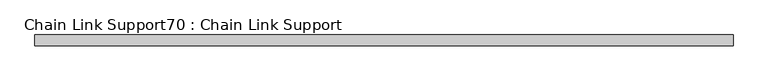
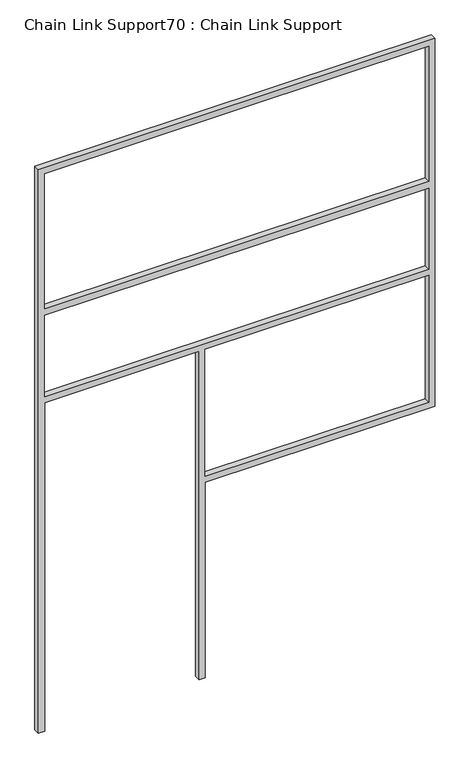
"""IFC4 building model written with IfcOpenShell, lengths in millimetres: proxy geometry, Chain Link Support70 : Chain Link Support."""

from ifc_helpers import new_model, si_unit, frame, origin, place, context, project, spatial, polyline, outline, extrude, source, transform, mapped, element, save


def chain_link_support70_chain_link_support_0d14ef63(model_context):
    return source(origin(), model_context, "Body", "SweptSolid", [
        extrude(outline(polyline([(3657.6, 29613.2151795), (0.0, 29613.2151795), (0.0, 29651.3151795), (2133.6, 29651.3151795), (2133.6, 30600.6401795), (0.0, 30600.6401795), (0.0, 30638.7401795), (1270.0, 30638.7401795), (1270.0, 32051.6151795), (3657.6, 32051.6151795), (3657.6, 29613.2151795)]), holes=[polyline([(2743.2, 29651.3151795), (3619.5, 29651.3151795), (3619.5, 32013.5151795), (2743.2, 32013.5151795), (2743.2, 29651.3151795)]), polyline([(1308.1, 32013.5151795), (1308.1, 30638.7401795), (2133.6, 30638.7401795), (2133.6, 32013.5151795), (1308.1, 32013.5151795)]), polyline([(2171.7, 29651.3151795), (2698.75, 29651.3151795), (2698.75, 32013.5151795), (2171.7, 32013.5151795), (2171.7, 29651.3151795)])]), frame((0.0, 13524.542683, 0.0), z_axis=(0.0, 1.0, 0.0), x_axis=(0.0, 0.0, 1.0)), (0.0, 0.0, 1.0), 38.1),
    ])


if __name__ == "__main__":
    model = new_model("IFC4")
    model_context = context("Model", 3, world=origin())
    ifc_project = project(units=[si_unit("LENGTHUNIT", "METRE", prefix="MILLI")], contexts=[model_context])
    site = spatial("IfcSite", under=ifc_project)
    building = spatial("IfcBuilding", under=site)
    placement = place(None, origin())
    chain_link_support70_chain_link_support_shape = chain_link_support70_chain_link_support_0d14ef63(model_context)
    element("IfcBuildingElementProxy", 1, Name="Chain Link Support70 : Chain Link Support", ObjectType="Chain Link Support70 : Chain Link Support", at=placement, inside=building, context=model_context, shape_type="MappedRepresentation", body=[
        mapped(chain_link_support70_chain_link_support_shape, transform((0.0, 0.0, 0.0), x_axis=(1.0, 0.0, 0.0), y_axis=(0.0, 1.0, 0.0), z_axis=(0.0, 0.0, 1.0))),
    ])
    save(model, "model.ifc")
